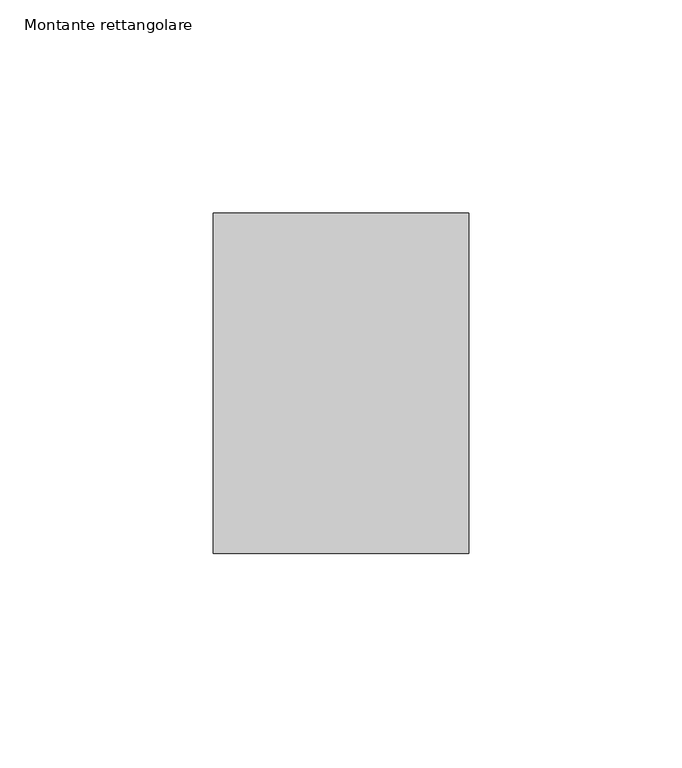
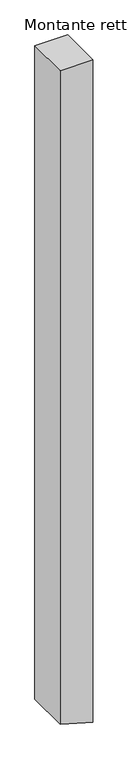
"""IFC4 building model written with IfcOpenShell, lengths in millimetres: member geometry, Montante rettangolare."""

from ifc_helpers import new_model, si_unit, frame, origin, place, context, project, spatial, polyline, outline, extrude, source, transform, mapped, element, save


def montante_rettangolare_8d1101cc(model_context):
    return source(origin(), model_context, "Body", "SweptSolid", [
        extrude(outline(polyline([(0.0, 30.0), (0.0, -30.0), (-1269.57226, -30.0), (-1283.0953068, 16.6915412), (-1286.9497718, 30.0), (0.0, 30.0)])), frame((0.0, -60.0, 0.0), z_axis=(0.0, 1.0, 0.0), x_axis=(0.0, 0.0, 1.0)), (0.0, 0.0, 1.0), 80.0),
    ])


if __name__ == "__main__":
    model = new_model("IFC4")
    model_context = context("Model", 3, world=origin())
    ifc_project = project(units=[si_unit("LENGTHUNIT", "METRE", prefix="MILLI")], contexts=[model_context])
    site = spatial("IfcSite", under=ifc_project)
    building = spatial("IfcBuilding", under=site)
    placement = place(None, origin())
    montante_rettangolare_shape = montante_rettangolare_8d1101cc(model_context)
    element("IfcMember", 1, ObjectType="Montante rettangolare", at=placement, inside=building, context=model_context, shape_type="MappedRepresentation", body=[
        mapped(montante_rettangolare_shape, transform((0.0, 0.0, 0.0), x_axis=(1.0, 0.0, 0.0), y_axis=(0.0, 1.0, 0.0), z_axis=(0.0, 0.0, 1.0))),
    ])
    save(model, "model.ifc")
